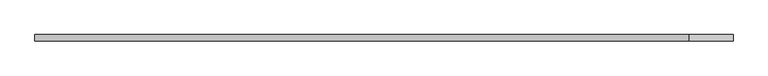
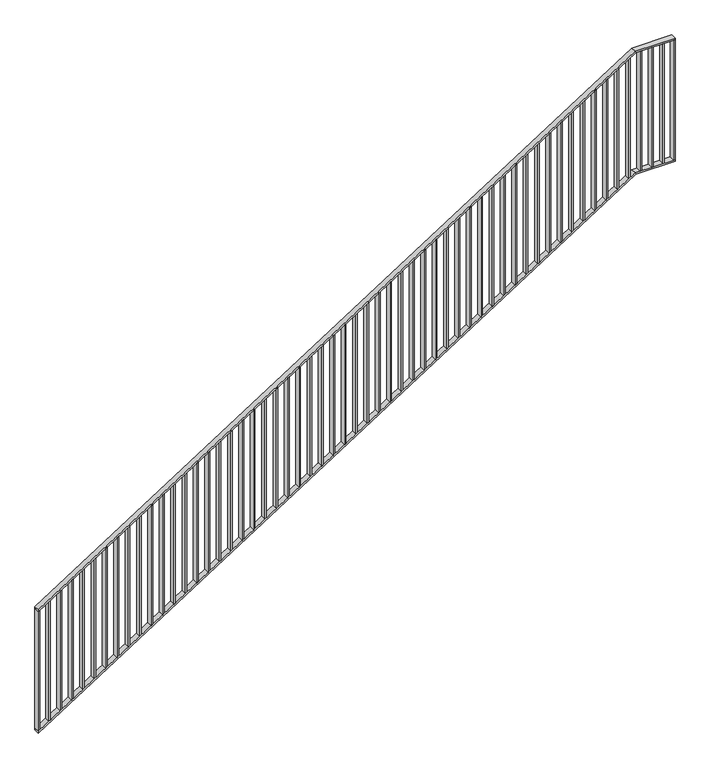
"""IFC4 building model written with IfcOpenShell, lengths in millimetres: railing geometry."""

from ifc_helpers import new_model, si_unit, frame, origin, place, context, project, spatial, polyline, outline, extrude, faceted_brep, source, transform, mapped, element, save


def railing_d66fc32f(model_context):
    return source(origin(), model_context, "Body", "SolidModel", [
        faceted_brep([(40020.0, -14.6, 1178.125), (40020.0, 25.4, 1178.125), (40020.0, 25.4, 1166.2576574), (40020.0, -14.6, 1166.2576574), (44201.25, -14.6, 3850.0), (44201.25, 25.4, 3850.0), (44204.1722273, 25.4, 3840.0), (44204.1722273, -14.6, 3840.0), (44480.0, -14.6, 3850.0), (44480.0, -14.6, 3840.0), (44480.0, 25.4, 3840.0), (44480.0, 25.4, 3850.0)], [[[0, 1, 2, 3]], [[1, 0, 4, 5]], [[2, 1, 5, 6]], [[3, 2, 6, 7]], [[0, 3, 7, 4]], [[8, 9, 10, 11]], [[5, 4, 8, 11]], [[6, 5, 11, 10]], [[7, 6, 10, 9]], [[4, 7, 9, 8]]]),
        faceted_brep([(40020.0, -14.6, 278.125), (40020.0, 25.4, 278.125), (40020.0, 25.4, 266.2576574), (40020.0, -14.6, 266.2576574), (44201.25, -14.6, 2950.0), (44201.25, 25.4, 2950.0), (44204.1722273, 25.4, 2940.0), (44204.1722273, -14.6, 2940.0), (44480.0, -14.6, 2950.0), (44480.0, -14.6, 2940.0), (44480.0, 25.4, 2940.0), (44480.0, 25.4, 2950.0)], [[[0, 1, 2, 3]], [[1, 0, 4, 5]], [[2, 1, 5, 6]], [[3, 2, 6, 7]], [[0, 3, 7, 4]], [[8, 9, 10, 11]], [[5, 4, 8, 11]], [[6, 5, 11, 10]], [[7, 6, 10, 9]], [[4, 7, 9, 8]]]),
        extrude(outline(polyline([(44395.3571429, -14.6), (44395.3571429, 25.4), (44405.3571429, 25.4), (44405.3571429, -14.6), (44395.3571429, -14.6)])), frame((0.0, 0.0, 2950.0), z_axis=(0.0, 0.0, 1.0), x_axis=(1.0, 0.0, 0.0)), (0.0, 0.0, 1.0), 890.0),
        extrude(outline(polyline([(44315.7142857, -14.6), (44315.7142857, 25.4), (44325.7142857, 25.4), (44325.7142857, -14.6), (44315.7142857, -14.6)])), frame((0.0, 0.0, 2950.0), z_axis=(0.0, 0.0, 1.0), x_axis=(1.0, 0.0, 0.0)), (0.0, 0.0, 1.0), 890.0),
        extrude(outline(polyline([(44236.0714286, -14.6), (44236.0714286, 25.4), (44246.0714286, 25.4), (44246.0714286, -14.6), (44236.0714286, -14.6)])), frame((0.0, 0.0, 2950.0), z_axis=(0.0, 0.0, 1.0), x_axis=(1.0, 0.0, 0.0)), (0.0, 0.0, 1.0), 890.0),
        extrude(outline(polyline([(3811.3585042, 44156.4285714), (2921.3585042, 44156.4285714), (2927.7486387, 44166.4285714), (3817.7486387, 44166.4285714), (3811.3585042, 44156.4285714)])), frame((0.0, -14.6, 0.0), z_axis=(0.0, 1.0, 0.0), x_axis=(0.0, 0.0, 1.0)), (0.0, 0.0, 1.0), 40.0),
        extrude(outline(polyline([(3760.465647, 44076.7857143), (2870.465647, 44076.7857143), (2876.8557816, 44086.7857143), (3766.8557816, 44086.7857143), (3760.465647, 44076.7857143)])), frame((0.0, -14.6, 0.0), z_axis=(0.0, 1.0, 0.0), x_axis=(0.0, 0.0, 1.0)), (0.0, 0.0, 1.0), 40.0),
        extrude(outline(polyline([(3709.5727899, 43997.1428571), (2819.5727899, 43997.1428571), (2825.9629244, 44007.1428571), (3715.9629244, 44007.1428571), (3709.5727899, 43997.1428571)])), frame((0.0, -14.6, 0.0), z_axis=(0.0, 1.0, 0.0), x_axis=(0.0, 0.0, 1.0)), (0.0, 0.0, 1.0), 40.0),
        extrude(outline(polyline([(3658.6799327, 43917.5), (2768.6799327, 43917.5), (2775.0700673, 43927.5), (3665.0700673, 43927.5), (3658.6799327, 43917.5)])), frame((0.0, -14.6, 0.0), z_axis=(0.0, 1.0, 0.0), x_axis=(0.0, 0.0, 1.0)), (0.0, 0.0, 1.0), 40.0),
        extrude(outline(polyline([(3607.7870756, 43837.8571429), (2717.7870756, 43837.8571429), (2724.1772101, 43847.8571429), (3614.1772101, 43847.8571429), (3607.7870756, 43837.8571429)])), frame((0.0, -14.6, 0.0), z_axis=(0.0, 1.0, 0.0), x_axis=(0.0, 0.0, 1.0)), (0.0, 0.0, 1.0), 40.0),
        extrude(outline(polyline([(3556.8942184, 43758.2142857), (2666.8942184, 43758.2142857), (2673.284353, 43768.2142857), (3563.284353, 43768.2142857), (3556.8942184, 43758.2142857)])), frame((0.0, -14.6, 0.0), z_axis=(0.0, 1.0, 0.0), x_axis=(0.0, 0.0, 1.0)), (0.0, 0.0, 1.0), 40.0),
        extrude(outline(polyline([(3506.0013613, 43678.5714286), (2616.0013613, 43678.5714286), (2622.3914958, 43688.5714286), (3512.3914958, 43688.5714286), (3506.0013613, 43678.5714286)])), frame((0.0, -14.6, 0.0), z_axis=(0.0, 1.0, 0.0), x_axis=(0.0, 0.0, 1.0)), (0.0, 0.0, 1.0), 40.0),
        extrude(outline(polyline([(3455.1085042, 43598.9285714), (2565.1085042, 43598.9285714), (2571.4986387, 43608.9285714), (3461.4986387, 43608.9285714), (3455.1085042, 43598.9285714)])), frame((0.0, -14.6, 0.0), z_axis=(0.0, 1.0, 0.0), x_axis=(0.0, 0.0, 1.0)), (0.0, 0.0, 1.0), 40.0),
        extrude(outline(polyline([(3404.215647, 43519.2857143), (2514.215647, 43519.2857143), (2520.6057816, 43529.2857143), (3410.6057816, 43529.2857143), (3404.215647, 43519.2857143)])), frame((0.0, -14.6, 0.0), z_axis=(0.0, 1.0, 0.0), x_axis=(0.0, 0.0, 1.0)), (0.0, 0.0, 1.0), 40.0),
        extrude(outline(polyline([(3353.3227899, 43439.6428571), (2463.3227899, 43439.6428571), (2469.7129244, 43449.6428571), (3359.7129244, 43449.6428571), (3353.3227899, 43439.6428571)])), frame((0.0, -14.6, 0.0), z_axis=(0.0, 1.0, 0.0), x_axis=(0.0, 0.0, 1.0)), (0.0, 0.0, 1.0), 40.0),
        extrude(outline(polyline([(3302.4299327, 43360.0), (2412.4299327, 43360.0), (2418.8200673, 43370.0), (3308.8200673, 43370.0), (3302.4299327, 43360.0)])), frame((0.0, -14.6, 0.0), z_axis=(0.0, 1.0, 0.0), x_axis=(0.0, 0.0, 1.0)), (0.0, 0.0, 1.0), 40.0),
        extrude(outline(polyline([(3251.5370756, 43280.3571429), (2361.5370756, 43280.3571429), (2367.9272101, 43290.3571429), (3257.9272101, 43290.3571429), (3251.5370756, 43280.3571429)])), frame((0.0, -14.6, 0.0), z_axis=(0.0, 1.0, 0.0), x_axis=(0.0, 0.0, 1.0)), (0.0, 0.0, 1.0), 40.0),
        extrude(outline(polyline([(3200.6442184, 43200.7142857), (2310.6442184, 43200.7142857), (2317.034353, 43210.7142857), (3207.034353, 43210.7142857), (3200.6442184, 43200.7142857)])), frame((0.0, -14.6, 0.0), z_axis=(0.0, 1.0, 0.0), x_axis=(0.0, 0.0, 1.0)), (0.0, 0.0, 1.0), 40.0),
        extrude(outline(polyline([(3149.7513613, 43121.0714286), (2259.7513613, 43121.0714286), (2266.1414958, 43131.0714286), (3156.1414958, 43131.0714286), (3149.7513613, 43121.0714286)])), frame((0.0, -14.6, 0.0), z_axis=(0.0, 1.0, 0.0), x_axis=(0.0, 0.0, 1.0)), (0.0, 0.0, 1.0), 40.0),
        extrude(outline(polyline([(3098.8585042, 43041.4285714), (2208.8585042, 43041.4285714), (2215.2486387, 43051.4285714), (3105.2486387, 43051.4285714), (3098.8585042, 43041.4285714)])), frame((0.0, -14.6, 0.0), z_axis=(0.0, 1.0, 0.0), x_axis=(0.0, 0.0, 1.0)), (0.0, 0.0, 1.0), 40.0),
        extrude(outline(polyline([(3047.965647, 42961.7857143), (2157.965647, 42961.7857143), (2164.3557816, 42971.7857143), (3054.3557816, 42971.7857143), (3047.965647, 42961.7857143)])), frame((0.0, -14.6, 0.0), z_axis=(0.0, 1.0, 0.0), x_axis=(0.0, 0.0, 1.0)), (0.0, 0.0, 1.0), 40.0),
        extrude(outline(polyline([(2997.0727899, 42882.1428571), (2107.0727899, 42882.1428571), (2113.4629244, 42892.1428571), (3003.4629244, 42892.1428571), (2997.0727899, 42882.1428571)])), frame((0.0, -14.6, 0.0), z_axis=(0.0, 1.0, 0.0), x_axis=(0.0, 0.0, 1.0)), (0.0, 0.0, 1.0), 40.0),
        extrude(outline(polyline([(2946.1799327, 42802.5), (2056.1799327, 42802.5), (2062.5700673, 42812.5), (2952.5700673, 42812.5), (2946.1799327, 42802.5)])), frame((0.0, -14.6, 0.0), z_axis=(0.0, 1.0, 0.0), x_axis=(0.0, 0.0, 1.0)), (0.0, 0.0, 1.0), 40.0),
        extrude(outline(polyline([(2895.2870756, 42722.8571429), (2005.2870756, 42722.8571429), (2011.6772101, 42732.8571429), (2901.6772101, 42732.8571429), (2895.2870756, 42722.8571429)])), frame((0.0, -14.6, 0.0), z_axis=(0.0, 1.0, 0.0), x_axis=(0.0, 0.0, 1.0)), (0.0, 0.0, 1.0), 40.0),
        extrude(outline(polyline([(2844.3942184, 42643.2142857), (1954.3942184, 42643.2142857), (1960.784353, 42653.2142857), (2850.784353, 42653.2142857), (2844.3942184, 42643.2142857)])), frame((0.0, -14.6, 0.0), z_axis=(0.0, 1.0, 0.0), x_axis=(0.0, 0.0, 1.0)), (0.0, 0.0, 1.0), 40.0),
        extrude(outline(polyline([(2793.5013613, 42563.5714286), (1903.5013613, 42563.5714286), (1909.8914958, 42573.5714286), (2799.8914958, 42573.5714286), (2793.5013613, 42563.5714286)])), frame((0.0, -14.6, 0.0), z_axis=(0.0, 1.0, 0.0), x_axis=(0.0, 0.0, 1.0)), (0.0, 0.0, 1.0), 40.0),
        extrude(outline(polyline([(2742.6085042, 42483.9285714), (1852.6085042, 42483.9285714), (1858.9986387, 42493.9285714), (2748.9986387, 42493.9285714), (2742.6085042, 42483.9285714)])), frame((0.0, -14.6, 0.0), z_axis=(0.0, 1.0, 0.0), x_axis=(0.0, 0.0, 1.0)), (0.0, 0.0, 1.0), 40.0),
        extrude(outline(polyline([(2691.715647, 42404.2857143), (1801.715647, 42404.2857143), (1808.1057816, 42414.2857143), (2698.1057816, 42414.2857143), (2691.715647, 42404.2857143)])), frame((0.0, -14.6, 0.0), z_axis=(0.0, 1.0, 0.0), x_axis=(0.0, 0.0, 1.0)), (0.0, 0.0, 1.0), 40.0),
        extrude(outline(polyline([(2640.8227899, 42324.6428571), (1750.8227899, 42324.6428571), (1757.2129244, 42334.6428571), (2647.2129244, 42334.6428571), (2640.8227899, 42324.6428571)])), frame((0.0, -14.6, 0.0), z_axis=(0.0, 1.0, 0.0), x_axis=(0.0, 0.0, 1.0)), (0.0, 0.0, 1.0), 40.0),
        extrude(outline(polyline([(2589.9299327, 42245.0), (1699.9299327, 42245.0), (1706.3200673, 42255.0), (2596.3200673, 42255.0), (2589.9299327, 42245.0)])), frame((0.0, -14.6, 0.0), z_axis=(0.0, 1.0, 0.0), x_axis=(0.0, 0.0, 1.0)), (0.0, 0.0, 1.0), 40.0),
        extrude(outline(polyline([(2539.0370756, 42165.3571429), (1649.0370756, 42165.3571429), (1655.4272101, 42175.3571429), (2545.4272101, 42175.3571429), (2539.0370756, 42165.3571429)])), frame((0.0, -14.6, 0.0), z_axis=(0.0, 1.0, 0.0), x_axis=(0.0, 0.0, 1.0)), (0.0, 0.0, 1.0), 40.0),
        extrude(outline(polyline([(2488.1442184, 42085.7142857), (1598.1442184, 42085.7142857), (1604.534353, 42095.7142857), (2494.534353, 42095.7142857), (2488.1442184, 42085.7142857)])), frame((0.0, -14.6, 0.0), z_axis=(0.0, 1.0, 0.0), x_axis=(0.0, 0.0, 1.0)), (0.0, 0.0, 1.0), 40.0),
        extrude(outline(polyline([(2437.2513613, 42006.0714286), (1547.2513613, 42006.0714286), (1553.6414958, 42016.0714286), (2443.6414958, 42016.0714286), (2437.2513613, 42006.0714286)])), frame((0.0, -14.6, 0.0), z_axis=(0.0, 1.0, 0.0), x_axis=(0.0, 0.0, 1.0)), (0.0, 0.0, 1.0), 40.0),
        extrude(outline(polyline([(2386.3585042, 41926.4285714), (1496.3585042, 41926.4285714), (1502.7486387, 41936.4285714), (2392.7486387, 41936.4285714), (2386.3585042, 41926.4285714)])), frame((0.0, -14.6, 0.0), z_axis=(0.0, 1.0, 0.0), x_axis=(0.0, 0.0, 1.0)), (0.0, 0.0, 1.0), 40.0),
        extrude(outline(polyline([(2335.465647, 41846.7857143), (1445.465647, 41846.7857143), (1451.8557816, 41856.7857143), (2341.8557816, 41856.7857143), (2335.465647, 41846.7857143)])), frame((0.0, -14.6, 0.0), z_axis=(0.0, 1.0, 0.0), x_axis=(0.0, 0.0, 1.0)), (0.0, 0.0, 1.0), 40.0),
        extrude(outline(polyline([(2284.5727899, 41767.1428571), (1394.5727899, 41767.1428571), (1400.9629244, 41777.1428571), (2290.9629244, 41777.1428571), (2284.5727899, 41767.1428571)])), frame((0.0, -14.6, 0.0), z_axis=(0.0, 1.0, 0.0), x_axis=(0.0, 0.0, 1.0)), (0.0, 0.0, 1.0), 40.0),
        extrude(outline(polyline([(2233.6799327, 41687.5), (1343.6799327, 41687.5), (1350.0700673, 41697.5), (2240.0700673, 41697.5), (2233.6799327, 41687.5)])), frame((0.0, -14.6, 0.0), z_axis=(0.0, 1.0, 0.0), x_axis=(0.0, 0.0, 1.0)), (0.0, 0.0, 1.0), 40.0),
        extrude(outline(polyline([(2182.7870756, 41607.8571429), (1292.7870756, 41607.8571429), (1299.1772101, 41617.8571429), (2189.1772101, 41617.8571429), (2182.7870756, 41607.8571429)])), frame((0.0, -14.6, 0.0), z_axis=(0.0, 1.0, 0.0), x_axis=(0.0, 0.0, 1.0)), (0.0, 0.0, 1.0), 40.0),
        extrude(outline(polyline([(2131.8942184, 41528.2142857), (1241.8942184, 41528.2142857), (1248.284353, 41538.2142857), (2138.284353, 41538.2142857), (2131.8942184, 41528.2142857)])), frame((0.0, -14.6, 0.0), z_axis=(0.0, 1.0, 0.0), x_axis=(0.0, 0.0, 1.0)), (0.0, 0.0, 1.0), 40.0),
        extrude(outline(polyline([(2081.0013613, 41448.5714286), (1191.0013613, 41448.5714286), (1197.3914958, 41458.5714286), (2087.3914958, 41458.5714286), (2081.0013613, 41448.5714286)])), frame((0.0, -14.6, 0.0), z_axis=(0.0, 1.0, 0.0), x_axis=(0.0, 0.0, 1.0)), (0.0, 0.0, 1.0), 40.0),
        extrude(outline(polyline([(2030.1085042, 41368.9285714), (1140.1085042, 41368.9285714), (1146.4986387, 41378.9285714), (2036.4986387, 41378.9285714), (2030.1085042, 41368.9285714)])), frame((0.0, -14.6, 0.0), z_axis=(0.0, 1.0, 0.0), x_axis=(0.0, 0.0, 1.0)), (0.0, 0.0, 1.0), 40.0),
        extrude(outline(polyline([(1979.215647, 41289.2857143), (1089.215647, 41289.2857143), (1095.6057816, 41299.2857143), (1985.6057816, 41299.2857143), (1979.215647, 41289.2857143)])), frame((0.0, -14.6, 0.0), z_axis=(0.0, 1.0, 0.0), x_axis=(0.0, 0.0, 1.0)), (0.0, 0.0, 1.0), 40.0),
        extrude(outline(polyline([(1928.3227899, 41209.6428571), (1038.3227899, 41209.6428571), (1044.7129244, 41219.6428571), (1934.7129244, 41219.6428571), (1928.3227899, 41209.6428571)])), frame((0.0, -14.6, 0.0), z_axis=(0.0, 1.0, 0.0), x_axis=(0.0, 0.0, 1.0)), (0.0, 0.0, 1.0), 40.0),
        extrude(outline(polyline([(1877.4299327, 41130.0), (987.4299327, 41130.0), (993.8200673, 41140.0), (1883.8200673, 41140.0), (1877.4299327, 41130.0)])), frame((0.0, -14.6, 0.0), z_axis=(0.0, 1.0, 0.0), x_axis=(0.0, 0.0, 1.0)), (0.0, 0.0, 1.0), 40.0),
        extrude(outline(polyline([(1826.5370756, 41050.3571429), (936.5370756, 41050.3571429), (942.9272101, 41060.3571429), (1832.9272101, 41060.3571429), (1826.5370756, 41050.3571429)])), frame((0.0, -14.6, 0.0), z_axis=(0.0, 1.0, 0.0), x_axis=(0.0, 0.0, 1.0)), (0.0, 0.0, 1.0), 40.0),
        extrude(outline(polyline([(1775.6442184, 40970.7142857), (885.6442184, 40970.7142857), (892.034353, 40980.7142857), (1782.034353, 40980.7142857), (1775.6442184, 40970.7142857)])), frame((0.0, -14.6, 0.0), z_axis=(0.0, 1.0, 0.0), x_axis=(0.0, 0.0, 1.0)), (0.0, 0.0, 1.0), 40.0),
        extrude(outline(polyline([(1724.7513613, 40891.0714286), (834.7513613, 40891.0714286), (841.1414958, 40901.0714286), (1731.1414958, 40901.0714286), (1724.7513613, 40891.0714286)])), frame((0.0, -14.6, 0.0), z_axis=(0.0, 1.0, 0.0), x_axis=(0.0, 0.0, 1.0)), (0.0, 0.0, 1.0), 40.0),
        extrude(outline(polyline([(1673.8585042, 40811.4285714), (783.8585042, 40811.4285714), (790.2486387, 40821.4285714), (1680.2486387, 40821.4285714), (1673.8585042, 40811.4285714)])), frame((0.0, -14.6, 0.0), z_axis=(0.0, 1.0, 0.0), x_axis=(0.0, 0.0, 1.0)), (0.0, 0.0, 1.0), 40.0),
        extrude(outline(polyline([(1622.965647, 40731.7857143), (732.965647, 40731.7857143), (739.3557816, 40741.7857143), (1629.3557816, 40741.7857143), (1622.965647, 40731.7857143)])), frame((0.0, -14.6, 0.0), z_axis=(0.0, 1.0, 0.0), x_axis=(0.0, 0.0, 1.0)), (0.0, 0.0, 1.0), 40.0),
        extrude(outline(polyline([(1572.0727899, 40652.1428571), (682.0727899, 40652.1428571), (688.4629244, 40662.1428571), (1578.4629244, 40662.1428571), (1572.0727899, 40652.1428571)])), frame((0.0, -14.6, 0.0), z_axis=(0.0, 1.0, 0.0), x_axis=(0.0, 0.0, 1.0)), (0.0, 0.0, 1.0), 40.0),
        extrude(outline(polyline([(1521.1799327, 40572.5), (631.1799327, 40572.5), (637.5700673, 40582.5), (1527.5700673, 40582.5), (1521.1799327, 40572.5)])), frame((0.0, -14.6, 0.0), z_axis=(0.0, 1.0, 0.0), x_axis=(0.0, 0.0, 1.0)), (0.0, 0.0, 1.0), 40.0),
        extrude(outline(polyline([(1470.2870756, 40492.8571429), (580.2870756, 40492.8571429), (586.6772101, 40502.8571429), (1476.6772101, 40502.8571429), (1470.2870756, 40492.8571429)])), frame((0.0, -14.6, 0.0), z_axis=(0.0, 1.0, 0.0), x_axis=(0.0, 0.0, 1.0)), (0.0, 0.0, 1.0), 40.0),
        extrude(outline(polyline([(1419.3942184, 40413.2142857), (529.3942184, 40413.2142857), (535.784353, 40423.2142857), (1425.784353, 40423.2142857), (1419.3942184, 40413.2142857)])), frame((0.0, -14.6, 0.0), z_axis=(0.0, 1.0, 0.0), x_axis=(0.0, 0.0, 1.0)), (0.0, 0.0, 1.0), 40.0),
        extrude(outline(polyline([(1368.5013613, 40333.5714286), (478.5013613, 40333.5714286), (484.8914958, 40343.5714286), (1374.8914958, 40343.5714286), (1368.5013613, 40333.5714286)])), frame((0.0, -14.6, 0.0), z_axis=(0.0, 1.0, 0.0), x_axis=(0.0, 0.0, 1.0)), (0.0, 0.0, 1.0), 40.0),
        extrude(outline(polyline([(1317.6085042, 40253.9285714), (427.6085042, 40253.9285714), (433.9986387, 40263.9285714), (1323.9986387, 40263.9285714), (1317.6085042, 40253.9285714)])), frame((0.0, -14.6, 0.0), z_axis=(0.0, 1.0, 0.0), x_axis=(0.0, 0.0, 1.0)), (0.0, 0.0, 1.0), 40.0),
        extrude(outline(polyline([(1266.715647, 40174.2857143), (376.715647, 40174.2857143), (383.1057816, 40184.2857143), (1273.1057816, 40184.2857143), (1266.715647, 40174.2857143)])), frame((0.0, -14.6, 0.0), z_axis=(0.0, 1.0, 0.0), x_axis=(0.0, 0.0, 1.0)), (0.0, 0.0, 1.0), 40.0),
        extrude(outline(polyline([(1215.8227899, 40094.6428571), (325.8227899, 40094.6428571), (332.2129244, 40104.6428571), (1222.2129244, 40104.6428571), (1215.8227899, 40094.6428571)])), frame((0.0, -14.6, 0.0), z_axis=(0.0, 1.0, 0.0), x_axis=(0.0, 0.0, 1.0)), (0.0, 0.0, 1.0), 40.0),
        extrude(outline(polyline([(44470.0, -14.6), (44470.0, 25.4), (44480.0, 25.4), (44480.0, -14.6), (44470.0, -14.6)])), frame((0.0, 0.0, 2950.0), z_axis=(0.0, 0.0, 1.0), x_axis=(1.0, 0.0, 0.0)), (0.0, 0.0, 1.0), 890.0),
        extrude(outline(polyline([(1168.125, 40020.0), (278.125, 40020.0), (284.5151345, 40030.0), (1174.5151345, 40030.0), (1168.125, 40020.0)])), frame((0.0, -14.6, 0.0), z_axis=(0.0, 1.0, 0.0), x_axis=(0.0, 0.0, 1.0)), (0.0, 0.0, 1.0), 40.0),
    ])


if __name__ == "__main__":
    model = new_model("IFC4")
    model_context = context("Model", 3, world=origin())
    ifc_project = project(units=[si_unit("LENGTHUNIT", "METRE", prefix="MILLI")], contexts=[model_context])
    site = spatial("IfcSite", under=ifc_project)
    building = spatial("IfcBuilding", under=site)
    placement = place(None, origin())
    railing_shape = railing_d66fc32f(model_context)
    element("IfcRailing", 1, at=placement, inside=building, context=model_context, shape_type="MappedRepresentation", body=[
        mapped(railing_shape, transform((0.0, 0.0, 0.0), x_axis=(1.0, 0.0, 0.0), y_axis=(0.0, 1.0, 0.0), z_axis=(0.0, 0.0, 1.0))),
    ])
    save(model, "model.ifc")
